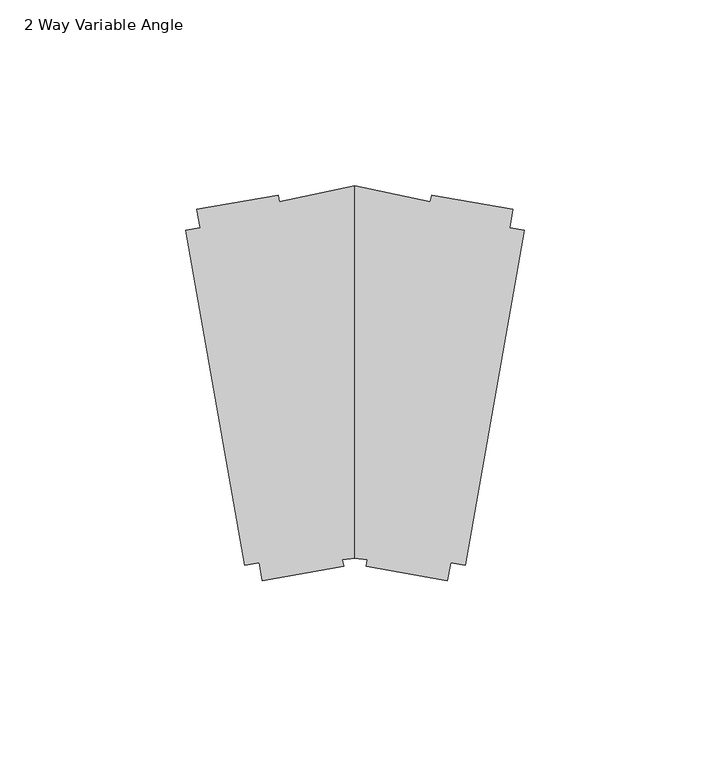
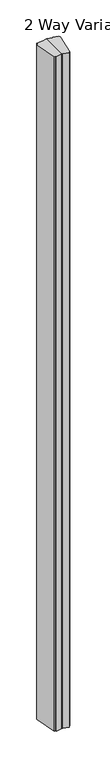
"""IFC4 building model written with IfcOpenShell, lengths in millimetres: furniture geometry, 2 Way Variable Angle."""

from ifc_helpers import new_model, si_unit, origin, origin_with_axes, place, context, project, spatial, polyline, outline, extrude, source, transform, mapped, element, save


def furniture_2_way_variable_angle_8b8de298(model_context):
    return source(origin(), model_context, "Body", "SweptSolid", [
        extrude(outline(polyline([(72.5478662, 20.1661862), (71.6833761, 15.2634193), (75.6105924, 14.5709451), (59.6969177, -75.6799888), (55.7697014, -74.9875146), (54.9052113, -79.8902815), (33.017859, -76.0309508), (33.3266055, -74.2799626), (29.9771531, -73.8092278), (29.9771531, 26.6052867), (50.3517674, 22.2745288), (50.6605138, 24.0255169), (72.5478662, 20.1661862)])), origin_with_axes(), (0.0, 0.0, 1.0), 2743.2),
        extrude(outline(polyline([(-12.5935599, 20.1661862), (9.2937924, 24.0255169), (9.6025389, 22.2745288), (29.9771531, 26.6052867), (29.9771531, -73.8092278), (26.6277008, -74.2799626), (26.9364473, -76.0309508), (5.049095, -79.8902815), (4.1846049, -74.9875146), (0.2573885, -75.6799888), (-15.6562861, 14.5709451), (-11.7290698, 15.2634193), (-12.5935599, 20.1661862)])), origin_with_axes(), (0.0, 0.0, 1.0), 2743.2),
    ])


if __name__ == "__main__":
    model = new_model("IFC4")
    model_context = context("Model", 3, world=origin())
    ifc_project = project(units=[si_unit("LENGTHUNIT", "METRE", prefix="MILLI")], contexts=[model_context])
    site = spatial("IfcSite", under=ifc_project)
    building = spatial("IfcBuilding", under=site)
    placement = place(None, origin())
    furniture_2_way_variable_angle_shape = furniture_2_way_variable_angle_8b8de298(model_context)
    element("IfcFurniture", 1, ObjectType="2 Way Variable Angle", at=placement, inside=building, context=model_context, shape_type="MappedRepresentation", body=[
        mapped(furniture_2_way_variable_angle_shape, transform((0.0, 0.0, 0.0), x_axis=(1.0, 0.0, 0.0), y_axis=(0.0, 1.0, 0.0), z_axis=(0.0, 0.0, 1.0))),
    ])
    save(model, "model.ifc")
